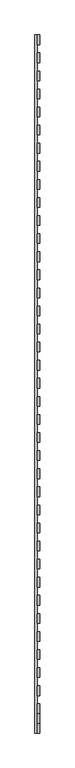
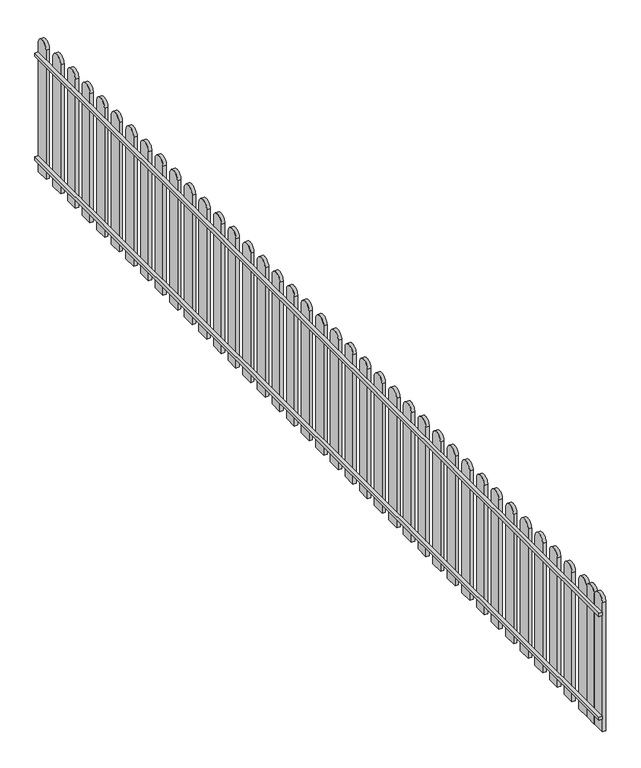
"""IFC4 building model written with IfcOpenShell, lengths in millimetres: railing geometry."""

import ifcopenshell
import ifcopenshell.guid

model = None  # the IFC model being written
_history = None  # IfcOwnerHistory: only IFC2X3 demands one
_inside = {}  # id of a spatial element -> (the spatial element, [elements in it])
_under = {}  # id of a project, library or spatial element -> (it, [spatial elements below it])
_declared = {}  # id of a project -> (the project, [libraries it declares])
_typed = {}  # id of a type object -> (the type object, [elements of that type])
_made_of = {}  # id of a material, layer set ... -> (it, [elements and type objects made of it])


def new_model(schema):
    """Start an empty IFC model of exactly this schema.

    Asked for "IFC4X3", IfcOpenShell would pick the latest addendum, in which some entities
    have other attributes; the version numbers below select the first issue.
    IFC2X3 requires an IfcOwnerHistory on every rooted entity: one is made here for all.
    """
    global model, _history
    if schema == "IFC4X3":
        model = ifcopenshell.file(schema_version=(4, 3, 0, 0))
    else:
        model = ifcopenshell.file(schema=schema)
    _inside.clear()
    _under.clear()
    _declared.clear()
    _typed.clear()
    _made_of.clear()
    _history = None
    if model.schema == "IFC2X3":
        org = make("IfcOrganization", Name="unknown")
        user = make(
            "IfcPersonAndOrganization",
            ThePerson=make("IfcPerson", FamilyName="unknown"),
            TheOrganization=org,
        )
        app = make(
            "IfcApplication",
            ApplicationDeveloper=org,
            Version="unknown",
            ApplicationFullName="unknown",
            ApplicationIdentifier="unknown",
        )
        _history = make(
            "IfcOwnerHistory",
            OwningUser=user,
            OwningApplication=app,
            ChangeAction="ADDED",
            CreationDate=0,
        )
    return model


def make(cls, **values):
    """One entity of the class cls with the attributes given. An attribute that is None is left unset."""
    return model.create_entity(
        cls, **{name: value for name, value in values.items() if value is not None}
    )


def rooted(cls, **values):
    """An entity with a GlobalId (a new one), such as an element, a storey or a relation."""
    return make(cls, GlobalId=ifcopenshell.guid.new(), OwnerHistory=_history, **values)


def si_unit(unit_type, name, prefix=None):
    """IfcSIUnit, for example si_unit("LENGTHUNIT", "METRE", prefix="MILLI")."""
    return make("IfcSIUnit", UnitType=unit_type, Prefix=prefix, Name=name)


def assignment(units):
    """IfcUnitAssignment: the units of a project."""
    return None if units is None else make("IfcUnitAssignment", Units=units)


def point(xyz):
    """IfcCartesianPoint."""
    return None if xyz is None else make("IfcCartesianPoint", Coordinates=xyz)


def direction(xyz):
    """IfcDirection."""
    return None if xyz is None else make("IfcDirection", DirectionRatios=xyz)


def frame(location, z_axis=None, x_axis=None):
    """IfcAxis2Placement3D, a coordinate frame: its origin and axes. An axis left out is left unset."""
    return make(
        "IfcAxis2Placement3D",
        Location=point(location),
        Axis=direction(z_axis),
        RefDirection=direction(x_axis),
    )


def frame_2d(location, x_axis=None):
    """IfcAxis2Placement2D, a coordinate frame in the plane: its origin and x axis."""
    return make(
        "IfcAxis2Placement2D", Location=point(location), RefDirection=direction(x_axis)
    )


def origin():
    """The frame at (0, 0, 0) with its axes left unset."""
    return frame((0.0, 0.0, 0.0))


def place(relative_to, where):
    """IfcLocalPlacement: puts the frame where relative to a parent placement (None: the world)."""
    return make(
        "IfcLocalPlacement", PlacementRelTo=relative_to, RelativePlacement=where
    )


def context(
    kind, dimensions, precision=None, world=None, true_north=None, identifier=None
):
    """IfcGeometricRepresentationContext, for example the 3D "Model" context."""
    return make(
        "IfcGeometricRepresentationContext",
        ContextIdentifier=identifier,
        ContextType=kind,
        CoordinateSpaceDimension=dimensions,
        Precision=precision,
        WorldCoordinateSystem=world,
        TrueNorth=true_north,
    )


def project(units=None, contexts=None):
    """IfcProject with its units and contexts."""
    return rooted(
        "IfcProject",
        Name="project",
        RepresentationContexts=contexts,
        UnitsInContext=assignment(units),
    )


def spatial(cls, under=None, at=None, **own):
    """A site, building, storey or space (cls), placed at a placement, below another one or the project."""
    s = rooted(cls, ObjectPlacement=at, **own)
    if under is not None:
        _under.setdefault(under.id(), (under, []))[1].append(s)
    return s


def polyline(points):
    """IfcPolyline through the points."""
    return make("IfcPolyline", Points=[point(p) for p in points])


def circle_curve(where, radius):
    """IfcCircle in the frame where."""
    return make("IfcCircle", Position=where, Radius=radius)


def trimmed(basis, trim1, trim2, sense, master):
    """IfcTrimmedCurve: the piece of a basis curve between two trims."""
    return make(
        "IfcTrimmedCurve",
        BasisCurve=basis,
        Trim1=trim1,
        Trim2=trim2,
        SenseAgreement=sense,
        MasterRepresentation=master,
    )


def segment(curve, same_sense, transition):
    """IfcCompositeCurveSegment."""
    return make(
        "IfcCompositeCurveSegment",
        Transition=transition,
        SameSense=same_sense,
        ParentCurve=curve,
    )


def composite_curve(segments, self_intersect=None):
    """IfcCompositeCurve: segments joined end to end."""
    return make("IfcCompositeCurve", Segments=segments, SelfIntersect=self_intersect)


def outline(outer, holes=None, kind="AREA"):
    """IfcArbitraryClosedProfileDef: a profile drawn as a closed curve; with holes, ...WithVoids."""
    if holes is None:
        return make("IfcArbitraryClosedProfileDef", ProfileType=kind, OuterCurve=outer)
    return make(
        "IfcArbitraryProfileDefWithVoids",
        ProfileType=kind,
        OuterCurve=outer,
        InnerCurves=holes,
    )


def extrude(swept, where, along, depth):
    """IfcExtrudedAreaSolid: the profile swept, set in the frame where, extruded along a direction by depth."""
    return make(
        "IfcExtrudedAreaSolid",
        SweptArea=swept,
        Position=where,
        ExtrudedDirection=direction(along),
        Depth=depth,
    )


def shape(context_of_items, identifier, shape_type, items):
    """IfcShapeRepresentation: the items that make up one representation, for example the "Body"."""
    return make(
        "IfcShapeRepresentation",
        ContextOfItems=context_of_items,
        RepresentationIdentifier=identifier,
        RepresentationType=shape_type,
        Items=items,
    )


def source(mapping_origin, context_of_items, identifier, shape_type, items):
    """IfcRepresentationMap: a shape defined once, which mapped items show again and again."""
    return make(
        "IfcRepresentationMap",
        MappingOrigin=mapping_origin,
        MappedRepresentation=shape(context_of_items, identifier, shape_type, items),
    )


def transform(
    local_origin,
    x_axis=None,
    y_axis=None,
    z_axis=None,
    scale=None,
    scale2=None,
    scale3=None,
    uniform=True,
):
    """IfcCartesianTransformationOperator3D, or its non-uniform kind. x_axis, y_axis, z_axis: its Axis1, 2, 3."""
    if uniform:
        return make(
            "IfcCartesianTransformationOperator3D",
            Axis1=direction(x_axis),
            Axis2=direction(y_axis),
            LocalOrigin=point(local_origin),
            Scale=scale,
            Axis3=direction(z_axis),
        )
    return make(
        "IfcCartesianTransformationOperator3DnonUniform",
        Axis1=direction(x_axis),
        Axis2=direction(y_axis),
        LocalOrigin=point(local_origin),
        Scale=scale,
        Axis3=direction(z_axis),
        Scale2=scale2,
        Scale3=scale3,
    )


def mapped(mapping_source, mapping_target):
    """IfcMappedItem: shows the shape of a source again, moved by a transform."""
    return make(
        "IfcMappedItem", MappingSource=mapping_source, MappingTarget=mapping_target
    )


def made_of(thing, what):
    """Note that an element or type object is made of a material, layer set ...; save() writes the relation."""
    if what is not None:
        _made_of.setdefault(what.id(), (what, []))[1].append(thing)
    return thing


def element(
    cls,
    number,
    at=None,
    inside=None,
    cuts=None,
    type_object=None,
    material=None,
    context=None,
    identifier="Body",
    shape_type=None,
    held_by="IfcProductDefinitionShape",
    body=None,
    shapes=None,
    **own,
):
    """One element of the class cls, such as IfcWall. Its Tag is "e" and its number.

    at: its placement. inside: the storey or other place that contains it. cuts: it is an
    opening in that element (IfcRelVoidsElement). A single representation is given by context,
    identifier, shape_type and body (its items); several are given by shapes. held_by: the class
    of the entity that holds the representations. save() writes the other relations.
    """
    e = rooted(cls, Tag="e%d" % number, ObjectPlacement=at, **own)
    if body is not None:
        shapes = [shape(context, identifier, shape_type, body)]
    if shapes is not None:
        e.Representation = make(held_by, Representations=shapes)
    if inside is not None:
        _inside.setdefault(inside.id(), (inside, []))[1].append(e)
    if cuts is not None:
        rooted(
            "IfcRelVoidsElement", RelatingBuildingElement=cuts, RelatedOpeningElement=e
        )
    if type_object is not None:
        _typed.setdefault(type_object.id(), (type_object, []))[1].append(e)
    return made_of(e, material)


def aggregate(whole, parts):
    """IfcRelAggregates: a whole, such as a stair, and the parts it consists of."""
    return rooted("IfcRelAggregates", RelatingObject=whole, RelatedObjects=parts)


def save(model, path):
    """Write the relations noted so far, then the file.

    IfcRelAggregates (storeys below a building ...), IfcRelContainedInSpatialStructure (elements
    in a storey), IfcRelDefinesByType, IfcRelAssociatesMaterial and IfcRelDeclares: one each for
    every whole, place, type object, material and project.
    """
    for whole, parts in _under.values():
        aggregate(whole, parts)
    for where, things in _inside.values():
        rooted(
            "IfcRelContainedInSpatialStructure",
            RelatedElements=things,
            RelatingStructure=where,
        )
    for kind, things in _typed.values():
        rooted("IfcRelDefinesByType", RelatedObjects=things, RelatingType=kind)
    for what, things in _made_of.values():
        rooted("IfcRelAssociatesMaterial", RelatedObjects=things, RelatingMaterial=what)
    for by, libraries in _declared.values():
        rooted("IfcRelDeclares", RelatingContext=by, RelatedDefinitions=libraries)
    model.write(path)


def railing_0d75f87b(model_context):
    return source(origin(), model_context, "Body", "SweptSolid", [
        extrude(outline(polyline([(-4910.3191195, -25559.7136765), (-4930.3191195, -25559.7136765), (-4930.3191195, -19768.5136765), (-4910.3191195, -19768.5136765), (-4910.3191195, -25559.7136765)])), frame((0.0, 0.0, 730.0), z_axis=(0.0, 0.0, 1.0), x_axis=(1.0, 0.0, 0.0)), (0.0, 0.0, 1.0), 20.0),
        extrude(outline(polyline([(-4910.3191195, -25559.7136765), (-4930.3191195, -25559.7136765), (-4930.3191195, -19768.5136765), (-4910.3191195, -19768.5136765), (-4910.3191195, -25559.7136765)])), frame((0.0, 0.0, 80.0), z_axis=(0.0, 0.0, 1.0), x_axis=(1.0, 0.0, 0.0)), (0.0, 0.0, 1.0), 20.0),
        extrude(outline(composite_curve([segment(polyline([(-19848.5136765, 0.0), (-19848.5136765, 810.0)]), True, "CONTINUOUS"), segment(trimmed(circle_curve(frame_2d((-19808.5136765, 810.0)), 40.0), [point((-19848.5136765, 810.0))], [point((-19768.5136765, 810.0))], False, "CARTESIAN"), True, "CONTINUOUS"), segment(polyline([(-19768.5136765, 810.0), (-19768.5136765, 0.0), (-19848.5136765, 0.0)]), True, "CONTINUOUS")], self_intersect=False)), frame((-4910.3191195, 0.0, 0.0), z_axis=(1.0, 0.0, 0.0), x_axis=(0.0, 1.0, 0.0)), (0.0, 0.0, 1.0), 20.0),
        extrude(outline(composite_curve([segment(polyline([(-19998.5136765, 0.0), (-19998.5136765, 810.0)]), True, "CONTINUOUS"), segment(trimmed(circle_curve(frame_2d((-19958.5136765, 810.0)), 40.0), [point((-19998.5136765, 810.0))], [point((-19918.5136765, 810.0))], False, "CARTESIAN"), True, "CONTINUOUS"), segment(polyline([(-19918.5136765, 810.0), (-19918.5136765, 0.0), (-19998.5136765, 0.0)]), True, "CONTINUOUS")], self_intersect=False)), frame((-4910.3191195, 0.0, 0.0), z_axis=(1.0, 0.0, 0.0), x_axis=(0.0, 1.0, 0.0)), (0.0, 0.0, 1.0), 20.0),
        extrude(outline(composite_curve([segment(polyline([(-20148.5136765, 0.0), (-20148.5136765, 810.0)]), True, "CONTINUOUS"), segment(trimmed(circle_curve(frame_2d((-20108.5136765, 810.0)), 40.0), [point((-20148.5136765, 810.0))], [point((-20068.5136765, 810.0))], False, "CARTESIAN"), True, "CONTINUOUS"), segment(polyline([(-20068.5136765, 810.0), (-20068.5136765, 0.0), (-20148.5136765, 0.0)]), True, "CONTINUOUS")], self_intersect=False)), frame((-4910.3191195, 0.0, 0.0), z_axis=(1.0, 0.0, 0.0), x_axis=(0.0, 1.0, 0.0)), (0.0, 0.0, 1.0), 20.0),
        extrude(outline(composite_curve([segment(polyline([(-20298.5136765, 0.0), (-20298.5136765, 810.0)]), True, "CONTINUOUS"), segment(trimmed(circle_curve(frame_2d((-20258.5136765, 810.0)), 40.0), [point((-20298.5136765, 810.0))], [point((-20218.5136765, 810.0))], False, "CARTESIAN"), True, "CONTINUOUS"), segment(polyline([(-20218.5136765, 810.0), (-20218.5136765, 0.0), (-20298.5136765, 0.0)]), True, "CONTINUOUS")], self_intersect=False)), frame((-4910.3191195, 0.0, 0.0), z_axis=(1.0, 0.0, 0.0), x_axis=(0.0, 1.0, 0.0)), (0.0, 0.0, 1.0), 20.0),
        extrude(outline(composite_curve([segment(polyline([(-20448.5136765, 0.0), (-20448.5136765, 810.0)]), True, "CONTINUOUS"), segment(trimmed(circle_curve(frame_2d((-20408.5136765, 810.0)), 40.0), [point((-20448.5136765, 810.0))], [point((-20368.5136765, 810.0))], False, "CARTESIAN"), True, "CONTINUOUS"), segment(polyline([(-20368.5136765, 810.0), (-20368.5136765, 0.0), (-20448.5136765, 0.0)]), True, "CONTINUOUS")], self_intersect=False)), frame((-4910.3191195, 0.0, 0.0), z_axis=(1.0, 0.0, 0.0), x_axis=(0.0, 1.0, 0.0)), (0.0, 0.0, 1.0), 20.0),
        extrude(outline(composite_curve([segment(polyline([(-20598.5136765, 0.0), (-20598.5136765, 810.0)]), True, "CONTINUOUS"), segment(trimmed(circle_curve(frame_2d((-20558.5136765, 810.0)), 40.0), [point((-20598.5136765, 810.0))], [point((-20518.5136765, 810.0))], False, "CARTESIAN"), True, "CONTINUOUS"), segment(polyline([(-20518.5136765, 810.0), (-20518.5136765, 0.0), (-20598.5136765, 0.0)]), True, "CONTINUOUS")], self_intersect=False)), frame((-4910.3191195, 0.0, 0.0), z_axis=(1.0, 0.0, 0.0), x_axis=(0.0, 1.0, 0.0)), (0.0, 0.0, 1.0), 20.0),
        extrude(outline(composite_curve([segment(polyline([(-20748.5136765, 0.0), (-20748.5136765, 810.0)]), True, "CONTINUOUS"), segment(trimmed(circle_curve(frame_2d((-20708.5136765, 810.0)), 40.0), [point((-20748.5136765, 810.0))], [point((-20668.5136765, 810.0))], False, "CARTESIAN"), True, "CONTINUOUS"), segment(polyline([(-20668.5136765, 810.0), (-20668.5136765, 0.0), (-20748.5136765, 0.0)]), True, "CONTINUOUS")], self_intersect=False)), frame((-4910.3191195, 0.0, 0.0), z_axis=(1.0, 0.0, 0.0), x_axis=(0.0, 1.0, 0.0)), (0.0, 0.0, 1.0), 20.0),
        extrude(outline(composite_curve([segment(polyline([(-20898.5136765, 0.0), (-20898.5136765, 810.0)]), True, "CONTINUOUS"), segment(trimmed(circle_curve(frame_2d((-20858.5136765, 810.0)), 40.0), [point((-20898.5136765, 810.0))], [point((-20818.5136765, 810.0))], False, "CARTESIAN"), True, "CONTINUOUS"), segment(polyline([(-20818.5136765, 810.0), (-20818.5136765, 0.0), (-20898.5136765, 0.0)]), True, "CONTINUOUS")], self_intersect=False)), frame((-4910.3191195, 0.0, 0.0), z_axis=(1.0, 0.0, 0.0), x_axis=(0.0, 1.0, 0.0)), (0.0, 0.0, 1.0), 20.0),
        extrude(outline(composite_curve([segment(polyline([(-21048.5136765, 0.0), (-21048.5136765, 810.0)]), True, "CONTINUOUS"), segment(trimmed(circle_curve(frame_2d((-21008.5136765, 810.0)), 40.0), [point((-21048.5136765, 810.0))], [point((-20968.5136765, 810.0))], False, "CARTESIAN"), True, "CONTINUOUS"), segment(polyline([(-20968.5136765, 810.0), (-20968.5136765, 0.0), (-21048.5136765, 0.0)]), True, "CONTINUOUS")], self_intersect=False)), frame((-4910.3191195, 0.0, 0.0), z_axis=(1.0, 0.0, 0.0), x_axis=(0.0, 1.0, 0.0)), (0.0, 0.0, 1.0), 20.0),
        extrude(outline(composite_curve([segment(polyline([(-21198.5136765, 0.0), (-21198.5136765, 810.0)]), True, "CONTINUOUS"), segment(trimmed(circle_curve(frame_2d((-21158.5136765, 810.0)), 40.0), [point((-21198.5136765, 810.0))], [point((-21118.5136765, 810.0))], False, "CARTESIAN"), True, "CONTINUOUS"), segment(polyline([(-21118.5136765, 810.0), (-21118.5136765, 0.0), (-21198.5136765, 0.0)]), True, "CONTINUOUS")], self_intersect=False)), frame((-4910.3191195, 0.0, 0.0), z_axis=(1.0, 0.0, 0.0), x_axis=(0.0, 1.0, 0.0)), (0.0, 0.0, 1.0), 20.0),
        extrude(outline(composite_curve([segment(polyline([(-21348.5136765, 0.0), (-21348.5136765, 810.0)]), True, "CONTINUOUS"), segment(trimmed(circle_curve(frame_2d((-21308.5136765, 810.0)), 40.0), [point((-21348.5136765, 810.0))], [point((-21268.5136765, 810.0))], False, "CARTESIAN"), True, "CONTINUOUS"), segment(polyline([(-21268.5136765, 810.0), (-21268.5136765, 0.0), (-21348.5136765, 0.0)]), True, "CONTINUOUS")], self_intersect=False)), frame((-4910.3191195, 0.0, 0.0), z_axis=(1.0, 0.0, 0.0), x_axis=(0.0, 1.0, 0.0)), (0.0, 0.0, 1.0), 20.0),
        extrude(outline(composite_curve([segment(polyline([(-21498.5136765, 0.0), (-21498.5136765, 810.0)]), True, "CONTINUOUS"), segment(trimmed(circle_curve(frame_2d((-21458.5136765, 810.0)), 40.0), [point((-21498.5136765, 810.0))], [point((-21418.5136765, 810.0))], False, "CARTESIAN"), True, "CONTINUOUS"), segment(polyline([(-21418.5136765, 810.0), (-21418.5136765, 0.0), (-21498.5136765, 0.0)]), True, "CONTINUOUS")], self_intersect=False)), frame((-4910.3191195, 0.0, 0.0), z_axis=(1.0, 0.0, 0.0), x_axis=(0.0, 1.0, 0.0)), (0.0, 0.0, 1.0), 20.0),
        extrude(outline(composite_curve([segment(polyline([(-21648.5136765, 0.0), (-21648.5136765, 810.0)]), True, "CONTINUOUS"), segment(trimmed(circle_curve(frame_2d((-21608.5136765, 810.0)), 40.0), [point((-21648.5136765, 810.0))], [point((-21568.5136765, 810.0))], False, "CARTESIAN"), True, "CONTINUOUS"), segment(polyline([(-21568.5136765, 810.0), (-21568.5136765, 0.0), (-21648.5136765, 0.0)]), True, "CONTINUOUS")], self_intersect=False)), frame((-4910.3191195, 0.0, 0.0), z_axis=(1.0, 0.0, 0.0), x_axis=(0.0, 1.0, 0.0)), (0.0, 0.0, 1.0), 20.0),
        extrude(outline(composite_curve([segment(polyline([(-21798.5136765, 0.0), (-21798.5136765, 810.0)]), True, "CONTINUOUS"), segment(trimmed(circle_curve(frame_2d((-21758.5136765, 810.0)), 40.0), [point((-21798.5136765, 810.0))], [point((-21718.5136765, 810.0))], False, "CARTESIAN"), True, "CONTINUOUS"), segment(polyline([(-21718.5136765, 810.0), (-21718.5136765, 0.0), (-21798.5136765, 0.0)]), True, "CONTINUOUS")], self_intersect=False)), frame((-4910.3191195, 0.0, 0.0), z_axis=(1.0, 0.0, 0.0), x_axis=(0.0, 1.0, 0.0)), (0.0, 0.0, 1.0), 20.0),
        extrude(outline(composite_curve([segment(polyline([(-21948.5136765, 0.0), (-21948.5136765, 810.0)]), True, "CONTINUOUS"), segment(trimmed(circle_curve(frame_2d((-21908.5136765, 810.0)), 40.0), [point((-21948.5136765, 810.0))], [point((-21868.5136765, 810.0))], False, "CARTESIAN"), True, "CONTINUOUS"), segment(polyline([(-21868.5136765, 810.0), (-21868.5136765, 0.0), (-21948.5136765, 0.0)]), True, "CONTINUOUS")], self_intersect=False)), frame((-4910.3191195, 0.0, 0.0), z_axis=(1.0, 0.0, 0.0), x_axis=(0.0, 1.0, 0.0)), (0.0, 0.0, 1.0), 20.0),
        extrude(outline(composite_curve([segment(polyline([(-22098.5136765, 0.0), (-22098.5136765, 810.0)]), True, "CONTINUOUS"), segment(trimmed(circle_curve(frame_2d((-22058.5136765, 810.0)), 40.0), [point((-22098.5136765, 810.0))], [point((-22018.5136765, 810.0))], False, "CARTESIAN"), True, "CONTINUOUS"), segment(polyline([(-22018.5136765, 810.0), (-22018.5136765, 0.0), (-22098.5136765, 0.0)]), True, "CONTINUOUS")], self_intersect=False)), frame((-4910.3191195, 0.0, 0.0), z_axis=(1.0, 0.0, 0.0), x_axis=(0.0, 1.0, 0.0)), (0.0, 0.0, 1.0), 20.0),
        extrude(outline(composite_curve([segment(polyline([(-22248.5136765, 0.0), (-22248.5136765, 810.0)]), True, "CONTINUOUS"), segment(trimmed(circle_curve(frame_2d((-22208.5136765, 810.0)), 40.0), [point((-22248.5136765, 810.0))], [point((-22168.5136765, 810.0))], False, "CARTESIAN"), True, "CONTINUOUS"), segment(polyline([(-22168.5136765, 810.0), (-22168.5136765, 0.0), (-22248.5136765, 0.0)]), True, "CONTINUOUS")], self_intersect=False)), frame((-4910.3191195, 0.0, 0.0), z_axis=(1.0, 0.0, 0.0), x_axis=(0.0, 1.0, 0.0)), (0.0, 0.0, 1.0), 20.0),
        extrude(outline(composite_curve([segment(polyline([(-22398.5136765, 0.0), (-22398.5136765, 810.0)]), True, "CONTINUOUS"), segment(trimmed(circle_curve(frame_2d((-22358.5136765, 810.0)), 40.0), [point((-22398.5136765, 810.0))], [point((-22318.5136765, 810.0))], False, "CARTESIAN"), True, "CONTINUOUS"), segment(polyline([(-22318.5136765, 810.0), (-22318.5136765, 0.0), (-22398.5136765, 0.0)]), True, "CONTINUOUS")], self_intersect=False)), frame((-4910.3191195, 0.0, 0.0), z_axis=(1.0, 0.0, 0.0), x_axis=(0.0, 1.0, 0.0)), (0.0, 0.0, 1.0), 20.0),
        extrude(outline(composite_curve([segment(polyline([(-22548.5136765, 0.0), (-22548.5136765, 810.0)]), True, "CONTINUOUS"), segment(trimmed(circle_curve(frame_2d((-22508.5136765, 810.0)), 40.0), [point((-22548.5136765, 810.0))], [point((-22468.5136765, 810.0))], False, "CARTESIAN"), True, "CONTINUOUS"), segment(polyline([(-22468.5136765, 810.0), (-22468.5136765, 0.0), (-22548.5136765, 0.0)]), True, "CONTINUOUS")], self_intersect=False)), frame((-4910.3191195, 0.0, 0.0), z_axis=(1.0, 0.0, 0.0), x_axis=(0.0, 1.0, 0.0)), (0.0, 0.0, 1.0), 20.0),
        extrude(outline(composite_curve([segment(polyline([(-22698.5136765, 0.0), (-22698.5136765, 810.0)]), True, "CONTINUOUS"), segment(trimmed(circle_curve(frame_2d((-22658.5136765, 810.0)), 40.0), [point((-22698.5136765, 810.0))], [point((-22618.5136765, 810.0))], False, "CARTESIAN"), True, "CONTINUOUS"), segment(polyline([(-22618.5136765, 810.0), (-22618.5136765, 0.0), (-22698.5136765, 0.0)]), True, "CONTINUOUS")], self_intersect=False)), frame((-4910.3191195, 0.0, 0.0), z_axis=(1.0, 0.0, 0.0), x_axis=(0.0, 1.0, 0.0)), (0.0, 0.0, 1.0), 20.0),
        extrude(outline(composite_curve([segment(polyline([(-22848.5136765, 0.0), (-22848.5136765, 810.0)]), True, "CONTINUOUS"), segment(trimmed(circle_curve(frame_2d((-22808.5136765, 810.0)), 40.0), [point((-22848.5136765, 810.0))], [point((-22768.5136765, 810.0))], False, "CARTESIAN"), True, "CONTINUOUS"), segment(polyline([(-22768.5136765, 810.0), (-22768.5136765, 0.0), (-22848.5136765, 0.0)]), True, "CONTINUOUS")], self_intersect=False)), frame((-4910.3191195, 0.0, 0.0), z_axis=(1.0, 0.0, 0.0), x_axis=(0.0, 1.0, 0.0)), (0.0, 0.0, 1.0), 20.0),
        extrude(outline(composite_curve([segment(polyline([(-22998.5136765, 0.0), (-22998.5136765, 810.0)]), True, "CONTINUOUS"), segment(trimmed(circle_curve(frame_2d((-22958.5136765, 810.0)), 40.0), [point((-22998.5136765, 810.0))], [point((-22918.5136765, 810.0))], False, "CARTESIAN"), True, "CONTINUOUS"), segment(polyline([(-22918.5136765, 810.0), (-22918.5136765, 0.0), (-22998.5136765, 0.0)]), True, "CONTINUOUS")], self_intersect=False)), frame((-4910.3191195, 0.0, 0.0), z_axis=(1.0, 0.0, 0.0), x_axis=(0.0, 1.0, 0.0)), (0.0, 0.0, 1.0), 20.0),
        extrude(outline(composite_curve([segment(polyline([(-23148.5136765, 0.0), (-23148.5136765, 810.0)]), True, "CONTINUOUS"), segment(trimmed(circle_curve(frame_2d((-23108.5136765, 810.0)), 40.0), [point((-23148.5136765, 810.0))], [point((-23068.5136765, 810.0))], False, "CARTESIAN"), True, "CONTINUOUS"), segment(polyline([(-23068.5136765, 810.0), (-23068.5136765, 0.0), (-23148.5136765, 0.0)]), True, "CONTINUOUS")], self_intersect=False)), frame((-4910.3191195, 0.0, 0.0), z_axis=(1.0, 0.0, 0.0), x_axis=(0.0, 1.0, 0.0)), (0.0, 0.0, 1.0), 20.0),
        extrude(outline(composite_curve([segment(polyline([(-23298.5136765, 0.0), (-23298.5136765, 810.0)]), True, "CONTINUOUS"), segment(trimmed(circle_curve(frame_2d((-23258.5136765, 810.0)), 40.0), [point((-23298.5136765, 810.0))], [point((-23218.5136765, 810.0))], False, "CARTESIAN"), True, "CONTINUOUS"), segment(polyline([(-23218.5136765, 810.0), (-23218.5136765, 0.0), (-23298.5136765, 0.0)]), True, "CONTINUOUS")], self_intersect=False)), frame((-4910.3191195, 0.0, 0.0), z_axis=(1.0, 0.0, 0.0), x_axis=(0.0, 1.0, 0.0)), (0.0, 0.0, 1.0), 20.0),
        extrude(outline(composite_curve([segment(polyline([(-23448.5136765, 0.0), (-23448.5136765, 810.0)]), True, "CONTINUOUS"), segment(trimmed(circle_curve(frame_2d((-23408.5136765, 810.0)), 40.0), [point((-23448.5136765, 810.0))], [point((-23368.5136765, 810.0))], False, "CARTESIAN"), True, "CONTINUOUS"), segment(polyline([(-23368.5136765, 810.0), (-23368.5136765, 0.0), (-23448.5136765, 0.0)]), True, "CONTINUOUS")], self_intersect=False)), frame((-4910.3191195, 0.0, 0.0), z_axis=(1.0, 0.0, 0.0), x_axis=(0.0, 1.0, 0.0)), (0.0, 0.0, 1.0), 20.0),
        extrude(outline(composite_curve([segment(polyline([(-23598.5136765, 0.0), (-23598.5136765, 810.0)]), True, "CONTINUOUS"), segment(trimmed(circle_curve(frame_2d((-23558.5136765, 810.0)), 40.0), [point((-23598.5136765, 810.0))], [point((-23518.5136765, 810.0))], False, "CARTESIAN"), True, "CONTINUOUS"), segment(polyline([(-23518.5136765, 810.0), (-23518.5136765, 0.0), (-23598.5136765, 0.0)]), True, "CONTINUOUS")], self_intersect=False)), frame((-4910.3191195, 0.0, 0.0), z_axis=(1.0, 0.0, 0.0), x_axis=(0.0, 1.0, 0.0)), (0.0, 0.0, 1.0), 20.0),
        extrude(outline(composite_curve([segment(polyline([(-23748.5136765, 0.0), (-23748.5136765, 810.0)]), True, "CONTINUOUS"), segment(trimmed(circle_curve(frame_2d((-23708.5136765, 810.0)), 40.0), [point((-23748.5136765, 810.0))], [point((-23668.5136765, 810.0))], False, "CARTESIAN"), True, "CONTINUOUS"), segment(polyline([(-23668.5136765, 810.0), (-23668.5136765, 0.0), (-23748.5136765, 0.0)]), True, "CONTINUOUS")], self_intersect=False)), frame((-4910.3191195, 0.0, 0.0), z_axis=(1.0, 0.0, 0.0), x_axis=(0.0, 1.0, 0.0)), (0.0, 0.0, 1.0), 20.0),
        extrude(outline(composite_curve([segment(polyline([(-23898.5136765, 0.0), (-23898.5136765, 810.0)]), True, "CONTINUOUS"), segment(trimmed(circle_curve(frame_2d((-23858.5136765, 810.0)), 40.0), [point((-23898.5136765, 810.0))], [point((-23818.5136765, 810.0))], False, "CARTESIAN"), True, "CONTINUOUS"), segment(polyline([(-23818.5136765, 810.0), (-23818.5136765, 0.0), (-23898.5136765, 0.0)]), True, "CONTINUOUS")], self_intersect=False)), frame((-4910.3191195, 0.0, 0.0), z_axis=(1.0, 0.0, 0.0), x_axis=(0.0, 1.0, 0.0)), (0.0, 0.0, 1.0), 20.0),
        extrude(outline(composite_curve([segment(polyline([(-24048.5136765, 0.0), (-24048.5136765, 810.0)]), True, "CONTINUOUS"), segment(trimmed(circle_curve(frame_2d((-24008.5136765, 810.0)), 40.0), [point((-24048.5136765, 810.0))], [point((-23968.5136765, 810.0))], False, "CARTESIAN"), True, "CONTINUOUS"), segment(polyline([(-23968.5136765, 810.0), (-23968.5136765, 0.0), (-24048.5136765, 0.0)]), True, "CONTINUOUS")], self_intersect=False)), frame((-4910.3191195, 0.0, 0.0), z_axis=(1.0, 0.0, 0.0), x_axis=(0.0, 1.0, 0.0)), (0.0, 0.0, 1.0), 20.0),
        extrude(outline(composite_curve([segment(polyline([(-24198.5136765, 0.0), (-24198.5136765, 810.0)]), True, "CONTINUOUS"), segment(trimmed(circle_curve(frame_2d((-24158.5136765, 810.0)), 40.0), [point((-24198.5136765, 810.0))], [point((-24118.5136765, 810.0))], False, "CARTESIAN"), True, "CONTINUOUS"), segment(polyline([(-24118.5136765, 810.0), (-24118.5136765, 0.0), (-24198.5136765, 0.0)]), True, "CONTINUOUS")], self_intersect=False)), frame((-4910.3191195, 0.0, 0.0), z_axis=(1.0, 0.0, 0.0), x_axis=(0.0, 1.0, 0.0)), (0.0, 0.0, 1.0), 20.0),
        extrude(outline(composite_curve([segment(polyline([(-24348.5136765, 0.0), (-24348.5136765, 810.0)]), True, "CONTINUOUS"), segment(trimmed(circle_curve(frame_2d((-24308.5136765, 810.0)), 40.0), [point((-24348.5136765, 810.0))], [point((-24268.5136765, 810.0))], False, "CARTESIAN"), True, "CONTINUOUS"), segment(polyline([(-24268.5136765, 810.0), (-24268.5136765, 0.0), (-24348.5136765, 0.0)]), True, "CONTINUOUS")], self_intersect=False)), frame((-4910.3191195, 0.0, 0.0), z_axis=(1.0, 0.0, 0.0), x_axis=(0.0, 1.0, 0.0)), (0.0, 0.0, 1.0), 20.0),
        extrude(outline(composite_curve([segment(polyline([(-24498.5136765, 0.0), (-24498.5136765, 810.0)]), True, "CONTINUOUS"), segment(trimmed(circle_curve(frame_2d((-24458.5136765, 810.0)), 40.0), [point((-24498.5136765, 810.0))], [point((-24418.5136765, 810.0))], False, "CARTESIAN"), True, "CONTINUOUS"), segment(polyline([(-24418.5136765, 810.0), (-24418.5136765, 0.0), (-24498.5136765, 0.0)]), True, "CONTINUOUS")], self_intersect=False)), frame((-4910.3191195, 0.0, 0.0), z_axis=(1.0, 0.0, 0.0), x_axis=(0.0, 1.0, 0.0)), (0.0, 0.0, 1.0), 20.0),
        extrude(outline(composite_curve([segment(polyline([(-24648.5136765, 0.0), (-24648.5136765, 810.0)]), True, "CONTINUOUS"), segment(trimmed(circle_curve(frame_2d((-24608.5136765, 810.0)), 40.0), [point((-24648.5136765, 810.0))], [point((-24568.5136765, 810.0))], False, "CARTESIAN"), True, "CONTINUOUS"), segment(polyline([(-24568.5136765, 810.0), (-24568.5136765, 0.0), (-24648.5136765, 0.0)]), True, "CONTINUOUS")], self_intersect=False)), frame((-4910.3191195, 0.0, 0.0), z_axis=(1.0, 0.0, 0.0), x_axis=(0.0, 1.0, 0.0)), (0.0, 0.0, 1.0), 20.0),
        extrude(outline(composite_curve([segment(polyline([(-24798.5136765, 0.0), (-24798.5136765, 810.0)]), True, "CONTINUOUS"), segment(trimmed(circle_curve(frame_2d((-24758.5136765, 810.0)), 40.0), [point((-24798.5136765, 810.0))], [point((-24718.5136765, 810.0))], False, "CARTESIAN"), True, "CONTINUOUS"), segment(polyline([(-24718.5136765, 810.0), (-24718.5136765, 0.0), (-24798.5136765, 0.0)]), True, "CONTINUOUS")], self_intersect=False)), frame((-4910.3191195, 0.0, 0.0), z_axis=(1.0, 0.0, 0.0), x_axis=(0.0, 1.0, 0.0)), (0.0, 0.0, 1.0), 20.0),
        extrude(outline(composite_curve([segment(polyline([(-24948.5136765, 0.0), (-24948.5136765, 810.0)]), True, "CONTINUOUS"), segment(trimmed(circle_curve(frame_2d((-24908.5136765, 810.0)), 40.0), [point((-24948.5136765, 810.0))], [point((-24868.5136765, 810.0))], False, "CARTESIAN"), True, "CONTINUOUS"), segment(polyline([(-24868.5136765, 810.0), (-24868.5136765, 0.0), (-24948.5136765, 0.0)]), True, "CONTINUOUS")], self_intersect=False)), frame((-4910.3191195, 0.0, 0.0), z_axis=(1.0, 0.0, 0.0), x_axis=(0.0, 1.0, 0.0)), (0.0, 0.0, 1.0), 20.0),
        extrude(outline(composite_curve([segment(polyline([(-25098.5136765, 0.0), (-25098.5136765, 810.0)]), True, "CONTINUOUS"), segment(trimmed(circle_curve(frame_2d((-25058.5136765, 810.0)), 40.0), [point((-25098.5136765, 810.0))], [point((-25018.5136765, 810.0))], False, "CARTESIAN"), True, "CONTINUOUS"), segment(polyline([(-25018.5136765, 810.0), (-25018.5136765, 0.0), (-25098.5136765, 0.0)]), True, "CONTINUOUS")], self_intersect=False)), frame((-4910.3191195, 0.0, 0.0), z_axis=(1.0, 0.0, 0.0), x_axis=(0.0, 1.0, 0.0)), (0.0, 0.0, 1.0), 20.0),
        extrude(outline(composite_curve([segment(polyline([(-25248.5136765, 0.0), (-25248.5136765, 810.0)]), True, "CONTINUOUS"), segment(trimmed(circle_curve(frame_2d((-25208.5136765, 810.0)), 40.0), [point((-25248.5136765, 810.0))], [point((-25168.5136765, 810.0))], False, "CARTESIAN"), True, "CONTINUOUS"), segment(polyline([(-25168.5136765, 810.0), (-25168.5136765, 0.0), (-25248.5136765, 0.0)]), True, "CONTINUOUS")], self_intersect=False)), frame((-4910.3191195, 0.0, 0.0), z_axis=(1.0, 0.0, 0.0), x_axis=(0.0, 1.0, 0.0)), (0.0, 0.0, 1.0), 20.0),
        extrude(outline(composite_curve([segment(polyline([(-25398.5136765, 0.0), (-25398.5136765, 810.0)]), True, "CONTINUOUS"), segment(trimmed(circle_curve(frame_2d((-25358.5136765, 810.0)), 40.0), [point((-25398.5136765, 810.0))], [point((-25318.5136765, 810.0))], False, "CARTESIAN"), True, "CONTINUOUS"), segment(polyline([(-25318.5136765, 810.0), (-25318.5136765, 0.0), (-25398.5136765, 0.0)]), True, "CONTINUOUS")], self_intersect=False)), frame((-4910.3191195, 0.0, 0.0), z_axis=(1.0, 0.0, 0.0), x_axis=(0.0, 1.0, 0.0)), (0.0, 0.0, 1.0), 20.0),
        extrude(outline(composite_curve([segment(polyline([(-25479.1136765, 0.0), (-25479.1136765, 810.0)]), True, "CONTINUOUS"), segment(trimmed(circle_curve(frame_2d((-25439.1136765, 810.0)), 40.0), [point((-25479.1136765, 810.0))], [point((-25399.1136765, 810.0))], False, "CARTESIAN"), True, "CONTINUOUS"), segment(polyline([(-25399.1136765, 810.0), (-25399.1136765, 0.0), (-25479.1136765, 0.0)]), True, "CONTINUOUS")], self_intersect=False)), frame((-4910.3191195, 0.0, 0.0), z_axis=(1.0, 0.0, 0.0), x_axis=(0.0, 1.0, 0.0)), (0.0, 0.0, 1.0), 20.0),
        extrude(outline(composite_curve([segment(polyline([(-25559.7136765, 0.0), (-25559.7136765, 810.0)]), True, "CONTINUOUS"), segment(trimmed(circle_curve(frame_2d((-25519.7136765, 810.0)), 40.0), [point((-25559.7136765, 810.0))], [point((-25479.7136765, 810.0))], False, "CARTESIAN"), True, "CONTINUOUS"), segment(polyline([(-25479.7136765, 810.0), (-25479.7136765, 0.0), (-25559.7136765, 0.0)]), True, "CONTINUOUS")], self_intersect=False)), frame((-4910.3191195, 0.0, 0.0), z_axis=(1.0, 0.0, 0.0), x_axis=(0.0, 1.0, 0.0)), (0.0, 0.0, 1.0), 20.0),
    ])


if __name__ == "__main__":
    model = new_model("IFC4")
    model_context = context("Model", 3, world=origin())
    ifc_project = project(units=[si_unit("LENGTHUNIT", "METRE", prefix="MILLI")], contexts=[model_context])
    site = spatial("IfcSite", under=ifc_project)
    building = spatial("IfcBuilding", under=site)
    placement = place(None, origin())
    railing_shape = railing_0d75f87b(model_context)
    element("IfcRailing", 1, at=placement, inside=building, context=model_context, shape_type="MappedRepresentation", body=[
        mapped(railing_shape, transform((0.0, 0.0, 0.0), x_axis=(1.0, 0.0, 0.0), y_axis=(0.0, 1.0, 0.0), z_axis=(0.0, 0.0, 1.0))),
    ])
    save(model, "model.ifc")
